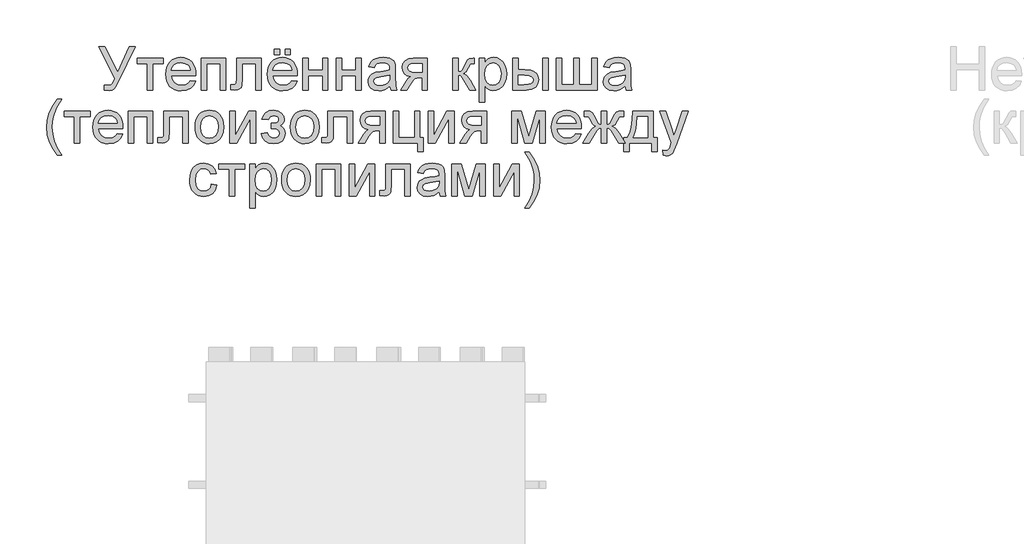
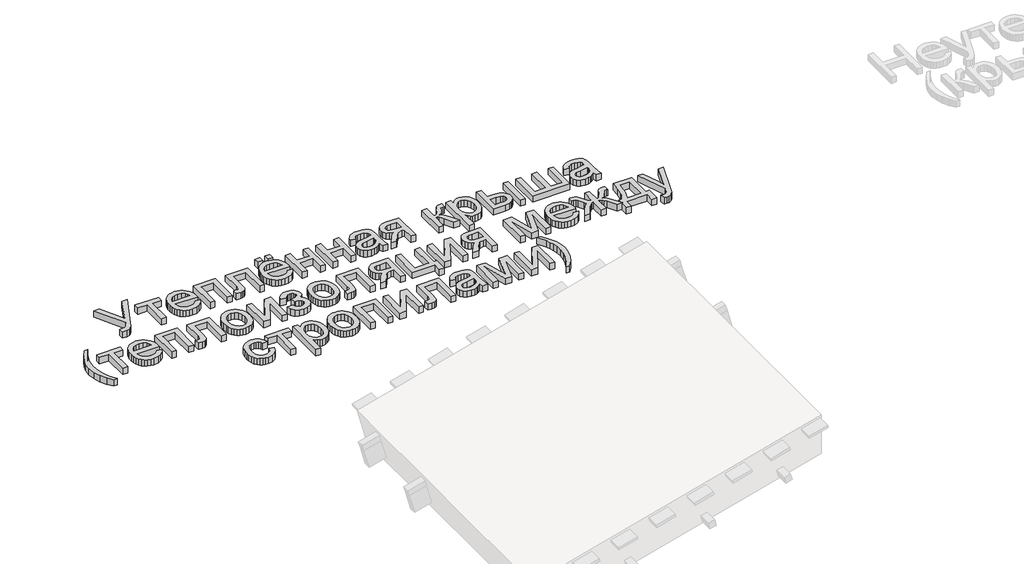
# One storey, part 2 of 3: 1 proxy.
"""IFC4 building model written with IfcOpenShell, lengths in millimetres."""

from ifc_helpers import new_model, si_unit, origin, origin_with_axes, place, context, project, spatial, polyline, outline, extrude, element, save

model = new_model("IFC4")

# Units and contexts
model_context = context("Model", 3, world=origin())
ifc_project = project(units=[si_unit("LENGTHUNIT", "METRE", prefix="MILLI")], contexts=[model_context])

# Site, building, storey
site = spatial("IfcSite", under=ifc_project)
building = spatial("IfcBuilding", under=site)
storey = spatial("IfcBuildingStorey", under=building, Elevation=0.0)

# Proxy
placement = place(None, origin())
element("IfcBuildingElementProxy", 1, Name="Generic Models", at=placement, inside=storey, context=model_context, shape_type="SweptSolid", body=[
    extrude(outline(polyline([(-9599.5750817, 3485.3785815), (-9557.8572635, 3485.3785815), (-9467.7261747, 3306.8822375), (-9386.6449829, 3485.3785815), (-9345.2950467, 3485.3785815), (-9459.7063472, 3250.5962922), (-9476.9784069, 3214.1391865), (-9490.829164, 3192.9123954), (-9505.5996261, 3182.70367), (-9525.6308007, 3179.3007616), (-9559.5495207, 3184.0096511), (-9559.5495207, 3216.9718779), (-9529.8982319, 3216.9718779), (-9518.0340375, 3219.0688052), (-9507.8988885, 3225.3595873), (-9498.1684098, 3239.0999799), (-9487.518226, 3263.5457384), (-9599.5750817, 3485.3785815)])), origin_with_axes(), (0.0, 0.0, 1.0), 50.0),
    extrude(outline(polyline([(-9333.5228228, 3405.3274594), (-9154.5850204, 3405.3274594), (-9154.5850204, 3367.6563431), (-9225.2183635, 3367.6563431), (-9225.2183635, 3184.0096511), (-9262.8894798, 3184.0096511), (-9262.8894798, 3367.6563431), (-9333.5228228, 3367.6563431), (-9333.5228228, 3405.3274594)])), origin_with_axes(), (0.0, 0.0, 1.0), 50.0),
    extrude(outline(polyline([(-8966.6708972, 3249.9341046), (-8929.7355449, 3245.2252151), (-8943.0436761, 3217.3949422), (-8964.2796643, 3196.5912153), (-8992.9652628, 3183.623375), (-9028.6222252, 3179.3007616), (-9051.9965275, 3181.1654634), (-9072.8232469, 3186.759569), (-9091.1023836, 3196.0830783), (-9106.8339374, 3209.1359914), (-9119.4844795, 3225.5550247), (-9128.520581, 3244.9768947), (-9133.9422419, 3267.4016016), (-9135.7494622, 3292.8291453), (-9133.9238478, 3319.1189123), (-9128.4470046, 3342.2908795), (-9119.3189326, 3362.3450468), (-9106.5396318, 3379.2814141), (-9090.8494647, 3392.7366981), (-9072.9887938, 3402.3476152), (-9052.9576192, 3408.1141655), (-9030.7559408, 3410.0363489), (-9009.269333, 3408.118764), (-8989.8382659, 3402.3660093), (-8972.4627394, 3392.7780848), (-8957.1427536, 3379.3549905), (-8944.637065, 3362.4554114), (-8935.7044303, 3342.4380323), (-8930.3448495, 3319.3028533), (-8928.5583225, 3293.0498745), (-8928.7790517, 3282.8963314), (-9098.0783459, 3282.8963314), (-9091.5576376, 3254.6981765), (-9076.4100964, 3233.968026), (-9054.5487088, 3221.2209149), (-9027.8864612, 3216.9718779), (-9007.8368925, 3218.9400465), (-8990.9511089, 3224.8445526), (-8977.2291105, 3235.0532779), (-8966.6708972, 3249.9341046)]), holes=[polyline([(-9098.0783459, 3320.5674477), (-8966.2294388, 3320.5674477), (-8971.3246045, 3340.4698636), (-8981.3126006, 3354.7068969), (-9003.2751558, 3367.9506487), (-9030.9030936, 3372.3652326), (-9056.2961483, 3368.8427625), (-9077.2930132, 3358.2753522), (-9091.8887313, 3341.8034359), (-9098.0783459, 3320.5674477)])]), origin_with_axes(), (0.0, 0.0, 1.0), 50.0),
    extrude(outline(polyline([(-8890.8872062, 3405.3274594), (-8721.3671829, 3405.3274594), (-8721.3671829, 3184.0096511), (-8759.0382992, 3184.0096511), (-8759.0382992, 3367.6563431), (-8853.2160899, 3367.6563431), (-8853.2160899, 3184.0096511), (-8890.8872062, 3184.0096511), (-8890.8872062, 3405.3274594)])), origin_with_axes(), (0.0, 0.0, 1.0), 50.0),
    extrude(outline(polyline([(-8646.0249502, 3405.3274594), (-8476.5049269, 3405.3274594), (-8476.5049269, 3184.2303803), (-8514.1760432, 3184.2303803), (-8514.1760432, 3367.6563431), (-8608.3538339, 3367.6563431), (-8608.3538339, 3262.0742105), (-8610.8922197, 3213.3666343), (-8615.6470945, 3202.3393715), (-8624.8349473, 3192.8020308), (-8638.7776749, 3186.207746), (-8657.7971741, 3184.0096511), (-8688.4049561, 3185.9226375), (-8688.4049561, 3221.6807674), (-8671.5559607, 3221.6807674), (-8654.5230243, 3223.998424), (-8647.7172074, 3231.3560639), (-8646.0249502, 3264.207926), (-8646.0249502, 3405.3274594)])), origin_with_axes(), (0.0, 0.0, 1.0), 50.0),
    extrude(outline(polyline([(-8265.046356, 3249.9341046), (-8228.1110037, 3245.2252151), (-8241.4191349, 3217.3949422), (-8262.6551231, 3196.5912153), (-8291.3407216, 3183.623375), (-8326.997684, 3179.3007616), (-8350.3719863, 3181.1654634), (-8371.1987057, 3186.759569), (-8389.4778424, 3196.0830783), (-8405.2093962, 3209.1359914), (-8417.8599383, 3225.5550247), (-8426.8960398, 3244.9768947), (-8432.3177007, 3267.4016016), (-8434.124921, 3292.8291453), (-8432.2993066, 3319.1189123), (-8426.8224634, 3342.2908795), (-8417.6943914, 3362.3450468), (-8404.9150906, 3379.2814141), (-8389.2249235, 3392.7366981), (-8371.3642526, 3402.3476152), (-8351.333078, 3408.1141655), (-8329.1313996, 3410.0363489), (-8307.6447918, 3408.118764), (-8288.2137247, 3402.3660093), (-8270.8381982, 3392.7780848), (-8255.5182124, 3379.3549905), (-8243.0125238, 3362.4554114), (-8234.0798891, 3342.4380323), (-8228.7203083, 3319.3028533), (-8226.9337813, 3293.0498745), (-8227.1545105, 3282.8963314), (-8396.4538047, 3282.8963314), (-8389.9330964, 3254.6981765), (-8374.7855552, 3233.968026), (-8352.9241676, 3221.2209149), (-8326.26192, 3216.9718779), (-8306.2123513, 3218.9400465), (-8289.3265677, 3224.8445526), (-8275.6045693, 3235.0532779), (-8265.046356, 3249.9341046)]), holes=[polyline([(-8396.4538047, 3320.5674477), (-8264.6048976, 3320.5674477), (-8269.7000633, 3340.4698636), (-8279.6880594, 3354.7068969), (-8301.6506146, 3367.9506487), (-8329.2785524, 3372.3652326), (-8354.6716071, 3368.8427625), (-8375.668472, 3358.2753522), (-8390.2641901, 3341.8034359), (-8396.4538047, 3320.5674477)])]), origin_with_axes(), (0.0, 0.0, 1.0), 50.0),
    extrude(outline(polyline([(-8387.0360256, 3428.8719071), (-8387.0360256, 3466.5430234), (-8349.3649093, 3466.5430234), (-8349.3649093, 3428.8719071), (-8387.0360256, 3428.8719071)])), origin_with_axes(), (0.0, 0.0, 1.0), 50.0),
    extrude(outline(polyline([(-8311.693793, 3428.8719071), (-8311.693793, 3466.5430234), (-8274.0226767, 3466.5430234), (-8274.0226767, 3428.8719071), (-8311.693793, 3428.8719071)])), origin_with_axes(), (0.0, 0.0, 1.0), 50.0),
    extrude(outline(polyline([(-8189.262665, 3405.3274594), (-8151.5915487, 3405.3274594), (-8151.5915487, 3320.5674477), (-8052.7048684, 3320.5674477), (-8052.7048684, 3405.3274594), (-8015.0337521, 3405.3274594), (-8015.0337521, 3184.0096511), (-8052.7048684, 3184.0096511), (-8052.7048684, 3282.8963314), (-8151.5915487, 3282.8963314), (-8151.5915487, 3184.0096511), (-8189.262665, 3184.0096511), (-8189.262665, 3405.3274594)])), origin_with_axes(), (0.0, 0.0, 1.0), 50.0),
    extrude(outline(polyline([(-7958.5270777, 3405.3274594), (-7920.8559614, 3405.3274594), (-7920.8559614, 3320.5674477), (-7821.969281, 3320.5674477), (-7821.969281, 3405.3274594), (-7784.2981647, 3405.3274594), (-7784.2981647, 3184.0096511), (-7821.969281, 3184.0096511), (-7821.969281, 3282.8963314), (-7920.8559614, 3282.8963314), (-7920.8559614, 3184.0096511), (-7958.5270777, 3184.0096511), (-7958.5270777, 3405.3274594)])), origin_with_axes(), (0.0, 0.0, 1.0), 50.0),
    extrude(outline(polyline([(-7586.5248041, 3212.2629883), (-7604.5234307, 3196.8303386), (-7623.0554863, 3186.7319779), (-7642.544035, 3181.1585656), (-7663.4121411, 3179.3007616), (-7694.8936429, 3183.7705278), (-7718.1161938, 3197.1798265), (-7732.4360005, 3217.5420949), (-7737.2092694, 3242.8707703), (-7735.4066476, 3258.487361), (-7729.9987823, 3272.6692119), (-7721.657058, 3284.8093178), (-7711.0528595, 3294.3006732), (-7684.6757204, 3306.6615083), (-7652.0813757, 3312.326891), (-7613.5641308, 3318.2865793), (-7586.7455333, 3325.2763372), (-7586.5248041, 3333.6640467), (-7589.1183722, 3350.4762539), (-7596.8990764, 3361.4759256), (-7614.2998948, 3369.6429059), (-7638.5433183, 3372.3652326), (-7660.98412, 3370.5534138), (-7676.655893, 3365.1179573), (-7687.3428649, 3355.0655818), (-7694.8292635, 3339.4030059), (-7732.5003798, 3344.1118954), (-7725.9612774, 3364.7132871), (-7716.2032074, 3380.9000949), (-7702.3156621, 3393.279324), (-7683.3881335, 3402.4579798), (-7660.2391589, 3408.1417567), (-7633.6872759, 3410.0363489), (-7608.2206448, 3408.3624858), (-7588.0331203, 3403.3408966), (-7572.8120028, 3395.7901187), (-7562.2445925, 3386.5286894), (-7555.2364404, 3375.0783623), (-7550.6930978, 3360.9608908), (-7548.8536878, 3327.998664), (-7548.8536878, 3281.1304978), (-7546.9407015, 3215.6842909), (-7539.4359088, 3184.0096511), (-7577.1070251, 3184.0096511), (-7586.5248041, 3212.2629883)]), holes=[polyline([(-7586.5248041, 3287.6052209), (-7647.2989097, 3276.0537263), (-7679.7093135, 3269.9468852), (-7694.3878051, 3260.0140713), (-7699.5381531, 3245.5195207), (-7696.7330528, 3234.3175139), (-7688.3177522, 3225.1388581), (-7674.4761921, 3219.0136229), (-7655.3923136, 3216.9718779), (-7635.1588039, 3219.2251551), (-7617.2797389, 3225.9849867), (-7602.7851883, 3235.9453918), (-7592.7052217, 3247.8003891), (-7588.2354554, 3260.0140713), (-7586.7455333, 3276.9366431), (-7586.5248041, 3287.6052209)])]), origin_with_axes(), (0.0, 0.0, 1.0), 50.0),
    extrude(outline(polyline([(-7327.5358795, 3405.3274594), (-7327.5358795, 3184.0096511), (-7365.2069958, 3184.0096511), (-7365.2069958, 3268.7696628), (-7385.7348112, 3268.7696628), (-7413.6938428, 3263.9871968), (-7424.8590614, 3253.5577423), (-7439.9606173, 3231.8343105), (-7469.9797881, 3184.0096511), (-7513.5370163, 3184.0096511), (-7475.7187472, 3244.4894511), (-7459.0169046, 3266.1944888), (-7443.6394372, 3275.8329971), (-7469.3911769, 3283.7240659), (-7487.490971, 3298.7152572), (-7498.1963371, 3318.6544613), (-7501.7647924, 3341.3895686), (-7496.890356, 3367.1780965), (-7482.2670467, 3387.5955472), (-7458.4098993, 3400.8944813), (-7425.8339486, 3405.3274594), (-7327.5358795, 3405.3274594)]), holes=[polyline([(-7365.2069958, 3367.6563431), (-7414.8710652, 3367.6563431), (-7440.5216373, 3365.4766423), (-7455.0805673, 3358.9375398), (-7461.8403989, 3349.4737755), (-7464.0936761, 3338.5200891), (-7460.7735411, 3324.1634942), (-7450.8131361, 3314.2030892), (-7432.4098393, 3308.3813566), (-7403.7610289, 3306.4407791), (-7365.2069958, 3306.4407791), (-7365.2069958, 3367.6563431)])]), origin_with_axes(), (0.0, 0.0, 1.0), 50.0),
    extrude(outline(polyline([(-7153.3069666, 3405.3274594), (-7115.6358503, 3405.3274594), (-7115.6358503, 3311.1496686), (-7100.3135652, 3312.8419258), (-7090.3991454, 3317.9186973), (-7081.6251599, 3331.1624492), (-7069.7241773, 3357.3556472), (-7052.5440881, 3391.3847318), (-7037.3873499, 3402.4579798), (-7009.8329885, 3405.3274594), (-7002.6225014, 3405.3274594), (-7002.6225014, 3367.4356139), (-7012.7760445, 3367.6563431), (-7031.1701442, 3363.6832175), (-7044.1195904, 3338.8879711), (-7059.3131168, 3312.0693736), (-7080.6134844, 3298.9359864), (-7068.6757136, 3293.6338871), (-7056.8483075, 3284.2758889), (-7033.524589, 3253.3921954), (-6993.2047223, 3184.0096511), (-7036.0261866, 3184.0096511), (-7075.5367128, 3251.9206674), (-7095.4023406, 3280.6522512), (-7104.691361, 3285.8669785), (-7115.6358503, 3287.6052209), (-7115.6358503, 3184.0096511), (-7153.3069666, 3184.0096511), (-7153.3069666, 3405.3274594)])), origin_with_axes(), (0.0, 0.0, 1.0), 50.0),
    extrude(outline(polyline([(-6969.6602746, 3099.2496394), (-6969.6602746, 3405.3274594), (-6931.9891583, 3405.3274594), (-6931.9891583, 3368.3921071), (-6919.7018997, 3386.6114629), (-6905.9431131, 3399.6252885), (-6889.9034581, 3407.4335838), (-6870.7735943, 3410.0363489), (-6845.2977662, 3406.3943172), (-6823.0225113, 3395.4682219), (-6804.885929, 3377.9202507), (-6791.8261182, 3354.4125913), (-6783.9350494, 3326.6558947), (-6781.3046931, 3296.3608124), (-6784.2753402, 3264.1435467), (-6793.1872815, 3235.3291894), (-6807.7554085, 3211.3800715), (-6827.6946127, 3193.758524), (-6850.9171636, 3182.9152022), (-6875.3353311, 3179.3007616), (-6892.653376, 3181.7195857), (-6908.1136168, 3188.976058), (-6921.3481716, 3199.9297444), (-6931.9891583, 3213.4402107), (-6931.9891583, 3099.2496394), (-6969.6602746, 3099.2496394)]), holes=[polyline([(-6931.9891583, 3292.9027217), (-6927.9148652, 3259.1311545), (-6915.6919859, 3235.5131304), (-6897.6565711, 3221.607191), (-6876.1446714, 3216.9718779), (-6854.2832839, 3221.7727379), (-6835.7880166, 3236.175318), (-6823.1788612, 3260.6578648), (-6818.9758094, 3295.6986248), (-6823.0776936, 3329.286251), (-6835.3833464, 3353.2353689), (-6853.39117, 3367.5827667), (-6874.5995671, 3372.3652326), (-6895.8907375, 3367.279264), (-6914.5883399, 3352.0213583), (-6927.6389537, 3327.069762), (-6931.9891583, 3292.9027217)])]), origin_with_axes(), (0.0, 0.0, 1.0), 50.0),
    extrude(outline(polyline([(-6738.9246872, 3405.3274594), (-6701.2535709, 3405.3274594), (-6701.2535709, 3325.2763372), (-6654.6797104, 3325.2763372), (-6614.424223, 3320.5582506), (-6598.2075248, 3314.6606424), (-6584.5981903, 3306.4039909), (-6573.8307441, 3296.0734046), (-6566.1397112, 3283.9539921), (-6561.5250914, 3270.0457534), (-6559.9868848, 3254.3486886), (-6565.1464298, 3227.3921354), (-6580.6250647, 3204.647831), (-6592.4869598, 3195.6186273), (-6607.4344651, 3189.1691961), (-6646.5863065, 3184.0096511), (-6738.9246872, 3184.0096511), (-6738.9246872, 3405.3274594)]), holes=[polyline([(-6701.2535709, 3221.6807674), (-6662.552385, 3221.6807674), (-6632.5516083, 3223.6581331), (-6612.5940101, 3229.5902303), (-6601.3920034, 3239.7161822), (-6597.6580011, 3254.2751122), (-6600.4263131, 3266.5807649), (-6608.7312492, 3277.4516779), (-6626.4907525, 3285.0668352), (-6657.6227663, 3287.6052209), (-6701.2535709, 3287.6052209), (-6701.2535709, 3221.6807674)])]), origin_with_axes(), (0.0, 0.0, 1.0), 50.0),
    extrude(outline(polyline([(-6531.7335476, 3405.3274594), (-6494.0624313, 3405.3274594), (-6494.0624313, 3184.0096511), (-6531.7335476, 3184.0096511), (-6531.7335476, 3405.3274594)])), origin_with_axes(), (0.0, 0.0, 1.0), 50.0),
    extrude(outline(polyline([(-6437.5557568, 3405.3274594), (-6399.8846405, 3405.3274594), (-6399.8846405, 3221.6807674), (-6315.1246288, 3221.6807674), (-6315.1246288, 3405.3274594), (-6277.4535125, 3405.3274594), (-6277.4535125, 3221.6807674), (-6192.6935008, 3221.6807674), (-6192.6935008, 3405.3274594), (-6155.0223845, 3405.3274594), (-6155.0223845, 3184.0096511), (-6437.5557568, 3184.0096511), (-6437.5557568, 3405.3274594)])), origin_with_axes(), (0.0, 0.0, 1.0), 50.0),
    extrude(outline(polyline([(-5961.9579134, 3212.2629883), (-5979.95654, 3196.8303386), (-5998.4885956, 3186.7319779), (-6017.9771443, 3181.1585656), (-6038.8452504, 3179.3007616), (-6070.3267522, 3183.7705278), (-6093.5493031, 3197.1798265), (-6107.8691098, 3217.5420949), (-6112.6423787, 3242.8707703), (-6110.8397569, 3258.487361), (-6105.4318916, 3272.6692119), (-6097.0901673, 3284.8093178), (-6086.4859688, 3294.3006732), (-6060.1088297, 3306.6615083), (-6027.514485, 3312.326891), (-5988.9972401, 3318.2865793), (-5962.1786426, 3325.2763372), (-5961.9579134, 3333.6640467), (-5964.5514815, 3350.4762539), (-5972.3321857, 3361.4759256), (-5989.7330041, 3369.6429059), (-6013.9764276, 3372.3652326), (-6036.4172293, 3370.5534138), (-6052.0890023, 3365.1179573), (-6062.7759742, 3355.0655818), (-6070.2623728, 3339.4030059), (-6107.9334891, 3344.1118954), (-6101.3943867, 3364.7132871), (-6091.6363167, 3380.9000949), (-6077.7487714, 3393.279324), (-6058.8212428, 3402.4579798), (-6035.6722682, 3408.1417567), (-6009.1203852, 3410.0363489), (-5983.6537541, 3408.3624858), (-5963.4662296, 3403.3408966), (-5948.2451121, 3395.7901187), (-5937.6777018, 3386.5286894), (-5930.6695497, 3375.0783623), (-5926.1262071, 3360.9608908), (-5924.2867971, 3327.998664), (-5924.2867971, 3281.1304978), (-5922.3738108, 3215.6842909), (-5914.8690181, 3184.0096511), (-5952.5401344, 3184.0096511), (-5961.9579134, 3212.2629883)]), holes=[polyline([(-5961.9579134, 3287.6052209), (-6022.732019, 3276.0537263), (-6055.1424228, 3269.9468852), (-6069.8209144, 3260.0140713), (-6074.9712624, 3245.5195207), (-6072.1661621, 3234.3175139), (-6063.7508615, 3225.1388581), (-6049.9093014, 3219.0136229), (-6030.8254229, 3216.9718779), (-6010.5919132, 3219.2251551), (-5992.7128482, 3225.9849867), (-5978.2182976, 3235.9453918), (-5968.138331, 3247.8003891), (-5963.6685647, 3260.0140713), (-5962.1786426, 3276.9366431), (-5961.9579134, 3287.6052209)])]), origin_with_axes(), (0.0, 0.0, 1.0), 50.0),
    extrude(outline(polyline([(-9884.4628988, 2733.3251859), (-9913.6543351, 2774.288846), (-9937.9529409, 2821.6904411), (-9954.3420838, 2873.2307086), (-9959.8051314, 2926.6103861), (-9955.7216413, 2973.42337), (-9943.4711708, 3018.2130029), (-9919.154171, 3068.9439301), (-9884.4628988, 3119.454128), (-9856.2095616, 3119.454128), (-9891.4526567, 3059.7836684), (-9912.6426596, 3001.9526187), (-9919.7611762, 2964.2631083), (-9922.1340151, 2926.3896569), (-9918.0137368, 2878.095948), (-9905.6529017, 2829.8206332), (-9885.05151, 2781.5637125), (-9856.2095616, 2733.3251859), (-9884.4628988, 2733.3251859)])), origin_with_axes(), (0.0, 0.0, 1.0), 50.0),
    extrude(outline(polyline([(-9837.3740034, 3039.4030059), (-9658.436201, 3039.4030059), (-9658.436201, 3001.7318895), (-9729.069544, 3001.7318895), (-9729.069544, 2818.0851976), (-9766.7406604, 2818.0851976), (-9766.7406604, 3001.7318895), (-9837.3740034, 3001.7318895), (-9837.3740034, 3039.4030059)])), origin_with_axes(), (0.0, 0.0, 1.0), 50.0),
    extrude(outline(polyline([(-9470.5220778, 2884.0096511), (-9433.5867255, 2879.3007616), (-9446.8948567, 2851.4704886), (-9468.1308449, 2830.6667618), (-9496.8164434, 2817.6989215), (-9532.4734058, 2813.376308), (-9555.8477081, 2815.2410099), (-9576.6744275, 2820.8351155), (-9594.9535642, 2830.1586248), (-9610.685118, 2843.2115378), (-9623.3356601, 2859.6305711), (-9632.3717616, 2879.0524412), (-9637.7934225, 2901.4771481), (-9639.6006428, 2926.9046917), (-9637.7750284, 2953.1944588), (-9632.2981852, 2976.366426), (-9623.1701132, 2996.4205932), (-9610.3908124, 3013.3569606), (-9594.7006453, 3026.8122446), (-9576.8399744, 3036.4231617), (-9556.8087998, 3042.189712), (-9534.6071214, 3044.1118954), (-9513.1205136, 3042.1943105), (-9493.6894465, 3036.4415558), (-9476.31392, 3026.8536313), (-9460.9939342, 3013.430537), (-9448.4882456, 2996.5309578), (-9439.5556109, 2976.5135788), (-9434.1960301, 2953.3783998), (-9432.4095031, 2927.1254209), (-9432.6302323, 2916.9718779), (-9601.9295265, 2916.9718779), (-9595.4088181, 2888.7737229), (-9580.261277, 2868.0435725), (-9558.3998894, 2855.2964614), (-9531.7376418, 2851.0474243), (-9511.6880731, 2853.015593), (-9494.8022895, 2858.920099), (-9481.0802911, 2869.1288244), (-9470.5220778, 2884.0096511)]), holes=[polyline([(-9601.9295265, 2954.6429942), (-9470.0806194, 2954.6429942), (-9475.1757851, 2974.5454101), (-9485.1637812, 2988.7824433), (-9507.1263364, 3002.0261951), (-9534.7542742, 3006.4407791), (-9560.1473289, 3002.918309), (-9581.1441938, 2992.3508987), (-9595.7399119, 2975.8789823), (-9601.9295265, 2954.6429942)])]), origin_with_axes(), (0.0, 0.0, 1.0), 50.0),
    extrude(outline(polyline([(-9394.7383868, 3039.4030059), (-9225.2183635, 3039.4030059), (-9225.2183635, 2818.0851976), (-9262.8894798, 2818.0851976), (-9262.8894798, 3001.7318895), (-9357.0672705, 3001.7318895), (-9357.0672705, 2818.0851976), (-9394.7383868, 2818.0851976), (-9394.7383868, 3039.4030059)])), origin_with_axes(), (0.0, 0.0, 1.0), 50.0),
    extrude(outline(polyline([(-9149.8761308, 3039.4030059), (-8980.3561075, 3039.4030059), (-8980.3561075, 2818.3059268), (-9018.0272238, 2818.3059268), (-9018.0272238, 3001.7318895), (-9112.2050145, 3001.7318895), (-9112.2050145, 2896.1497569), (-9114.7434003, 2847.4421808), (-9119.4982751, 2836.414918), (-9128.6861279, 2826.8775772), (-9142.6288555, 2820.2832925), (-9161.6483547, 2818.0851976), (-9192.2561367, 2819.9981839), (-9192.2561367, 2855.7563139), (-9175.4071413, 2855.7563139), (-9158.3742049, 2858.0739704), (-9151.568388, 2865.4316103), (-9149.8761308, 2898.2834725), (-9149.8761308, 3039.4030059)])), origin_with_axes(), (0.0, 0.0, 1.0), 50.0),
    extrude(outline(polyline([(-8933.2672121, 2928.7441017), (-8931.2300655, 2957.4067077), (-8925.1186259, 2982.1053851), (-8914.9328931, 3002.8401341), (-8900.6728673, 3019.6109545), (-8886.3162724, 3030.3301161), (-8870.4697555, 3037.9866602), (-8853.1333165, 3042.5805866), (-8834.3069554, 3044.1118954), (-8813.5239219, 3042.2471935), (-8794.7320497, 3036.6530879), (-8777.9313389, 3027.3295786), (-8763.1217893, 3014.2766656), (-8751.0345665, 2997.9358072), (-8742.4008359, 2978.7484619), (-8737.2205976, 2956.7146296), (-8735.4938515, 2931.8343105), (-8738.547272, 2893.7769181), (-8747.7075337, 2864.8062109), (-8762.7079221, 2843.1103703), (-8783.2817226, 2826.8775772), (-8807.7182842, 2816.7516253), (-8834.3069554, 2813.376308), (-8855.3934915, 2815.2341121), (-8874.3601076, 2820.8075243), (-8891.2068037, 2830.0965447), (-8905.9335798, 2843.1011732), (-8917.8920439, 2859.6006807), (-8926.433804, 2879.3743379), (-8931.5588601, 2902.4221449), (-8933.2672121, 2928.7441017)]), holes=[polyline([(-8895.5960958, 2928.8176781), (-8891.2366941, 2894.7242142), (-8878.1584892, 2870.4348055), (-8858.4768025, 2855.8942696), (-8834.3069554, 2851.0474243), (-8810.2474729, 2855.9218608), (-8790.6025743, 2870.5451701), (-8777.5243694, 2895.1564755), (-8773.1649678, 2929.9949005), (-8777.5519606, 2963.095083), (-8790.7129389, 2987.0533979), (-8810.3854286, 3001.5939338), (-8834.3069554, 3006.4407791), (-8858.4768025, 3001.6123279), (-8878.1584892, 2987.1269743), (-8891.2366941, 2962.8927479), (-8895.5960958, 2928.8176781)])]), origin_with_axes(), (0.0, 0.0, 1.0), 50.0),
    extrude(outline(polyline([(-8693.1138456, 3039.4030059), (-8655.4427293, 3039.4030059), (-8655.4427293, 2870.6187465), (-8562.8836193, 3039.4030059), (-8514.1760432, 3039.4030059), (-8514.1760432, 2818.0851976), (-8551.8471595, 2818.0851976), (-8551.8471595, 2985.8393874), (-8643.8176583, 2818.0851976), (-8693.1138456, 2818.0851976), (-8693.1138456, 3039.4030059)])), origin_with_axes(), (0.0, 0.0, 1.0), 50.0),
    extrude(outline(polyline([(-8405.8715838, 2916.9718779), (-8405.8715838, 2954.6429942), (-8376.1467186, 2956.1145221), (-8361.1371332, 2963.9504086), (-8355.8396324, 2971.2988515), (-8354.0737989, 2980.3211574), (-8356.4374407, 2991.0357205), (-8363.5283661, 2999.3406566), (-8374.3532939, 3004.6657485), (-8387.9189424, 3006.4407791), (-8401.6317438, 3004.6749455), (-8413.1188591, 2999.3774448), (-8422.3802883, 2990.5482769), (-8429.4160315, 2978.1874419), (-8471.7960373, 2982.8963314), (-8460.5572424, 3009.6781406), (-8443.4691237, 3028.8080044), (-8420.5316813, 3040.2859226), (-8391.7449152, 3044.1118954), (-8360.2542164, 3039.4489911), (-8336.4154631, 3025.4602782), (-8321.4058777, 3004.9968423), (-8316.4026826, 2980.9097686), (-8318.1823117, 2968.5489336), (-8323.5211992, 2957.5124737), (-8332.4193449, 2947.8003891), (-8344.876749, 2939.4126796), (-8330.3362131, 2928.9464368), (-8319.9711379, 2915.9418083), (-8313.7631293, 2900.3620058), (-8311.693793, 2882.1702411), (-8316.9453085, 2854.4411357), (-8332.699855, 2832.4693836), (-8357.8905746, 2818.1495769), (-8391.4506096, 2813.376308), (-8424.2748806, 2817.790892), (-8449.3920238, 2831.0346438), (-8466.8020392, 2853.1075635), (-8476.5049269, 2884.0096511), (-8434.124921, 2888.7185406), (-8427.7789566, 2872.7892502), (-8417.1287728, 2860.9066618), (-8403.4067744, 2853.5122337), (-8387.845366, 2851.0474243), (-8372.6886278, 2853.4110661), (-8360.3277928, 2860.5019916), (-8352.1056302, 2871.271737), (-8349.3649093, 2884.6718387), (-8351.0663636, 2895.2852342), (-8356.1707262, 2904.46389), (-8370.6652769, 2915.0588915), (-8398.5139439, 2917.1926071), (-8405.8715838, 2916.9718779)])), origin_with_axes(), (0.0, 0.0, 1.0), 50.0),
    extrude(outline(polyline([(-8274.0226767, 2928.7441017), (-8271.9855302, 2957.4067077), (-8265.8740905, 2982.1053851), (-8255.6883578, 3002.8401341), (-8241.4283319, 3019.6109545), (-8227.0717371, 3030.3301161), (-8211.2252201, 3037.9866602), (-8193.8887811, 3042.5805866), (-8175.06242, 3044.1118954), (-8154.2793866, 3042.2471935), (-8135.4875144, 3036.6530879), (-8118.6868035, 3027.3295786), (-8103.877254, 3014.2766656), (-8091.7900311, 2997.9358072), (-8083.1563006, 2978.7484619), (-8077.9760622, 2956.7146296), (-8076.2493161, 2931.8343105), (-8079.3027367, 2893.7769181), (-8088.4629984, 2864.8062109), (-8103.4633867, 2843.1103703), (-8124.0371873, 2826.8775772), (-8148.4737488, 2816.7516253), (-8175.06242, 2813.376308), (-8196.1489561, 2815.2341121), (-8215.1155722, 2820.8075243), (-8231.9622684, 2830.0965447), (-8246.6890445, 2843.1011732), (-8258.6475086, 2859.6006807), (-8267.1892687, 2879.3743379), (-8272.3143247, 2902.4221449), (-8274.0226767, 2928.7441017)]), holes=[polyline([(-8236.3515604, 2928.8176781), (-8231.9921588, 2894.7242142), (-8218.9139538, 2870.4348055), (-8199.2322671, 2855.8942696), (-8175.06242, 2851.0474243), (-8151.0029375, 2855.9218608), (-8131.358039, 2870.5451701), (-8118.2798341, 2895.1564755), (-8113.9204324, 2929.9949005), (-8118.3074252, 2963.095083), (-8131.4684036, 2987.0533979), (-8151.1408933, 3001.5939338), (-8175.06242, 3006.4407791), (-8199.2322671, 3001.6123279), (-8218.9139538, 2987.1269743), (-8231.9921588, 2962.8927479), (-8236.3515604, 2928.8176781)])]), origin_with_axes(), (0.0, 0.0, 1.0), 50.0),
    extrude(outline(polyline([(-8015.0337521, 3039.4030059), (-7845.5137287, 3039.4030059), (-7845.5137287, 2818.3059268), (-7883.184845, 2818.3059268), (-7883.184845, 3001.7318895), (-7977.3626358, 3001.7318895), (-7977.3626358, 2896.1497569), (-7979.9010216, 2847.4421808), (-7984.6558964, 2836.414918), (-7993.8437492, 2826.8775772), (-8007.7864768, 2820.2832925), (-8026.805976, 2818.0851976), (-8057.413758, 2819.9981839), (-8057.413758, 2855.7563139), (-8040.5647626, 2855.7563139), (-8023.5318262, 2858.0739704), (-8016.7260093, 2865.4316103), (-8015.0337521, 2898.2834725), (-8015.0337521, 3039.4030059)])), origin_with_axes(), (0.0, 0.0, 1.0), 50.0),
    extrude(outline(polyline([(-7619.4870309, 3039.4030059), (-7619.4870309, 2818.0851976), (-7657.1581472, 2818.0851976), (-7657.1581472, 2902.8452092), (-7677.6859625, 2902.8452092), (-7705.6449942, 2898.0627433), (-7716.8102127, 2887.6332887), (-7731.9117686, 2865.9098569), (-7761.9309394, 2818.0851976), (-7805.4881677, 2818.0851976), (-7767.6698986, 2878.5649976), (-7750.968056, 2900.2700353), (-7735.5905886, 2909.9085435), (-7761.3423282, 2917.7996123), (-7779.4421224, 2932.7908036), (-7790.1474885, 2952.7300078), (-7793.7159438, 2975.4651151), (-7788.8415074, 3001.253643), (-7774.2181981, 3021.6710937), (-7750.3610507, 3034.9700278), (-7717.7851, 3039.4030059), (-7619.4870309, 3039.4030059)]), holes=[polyline([(-7657.1581472, 3001.7318895), (-7706.8222166, 3001.7318895), (-7732.4727887, 2999.5521887), (-7747.0317186, 2993.0130863), (-7753.7915503, 2983.5493219), (-7756.0448275, 2972.5956355), (-7752.7246925, 2958.2390407), (-7742.7642875, 2948.2786356), (-7724.3609907, 2942.4569031), (-7695.7121803, 2940.5163255), (-7657.1581472, 2940.5163255), (-7657.1581472, 3001.7318895)])]), origin_with_axes(), (0.0, 0.0, 1.0), 50.0),
    extrude(outline(polyline([(-7562.9803564, 3039.4030059), (-7525.3092401, 3039.4030059), (-7525.3092401, 2855.7563139), (-7417.0047808, 2855.7563139), (-7417.0047808, 3039.4030059), (-7379.3336645, 3039.4030059), (-7379.3336645, 2855.7563139), (-7355.7892168, 2855.7563139), (-7355.7892168, 2756.8696336), (-7393.4603331, 2756.8696336), (-7393.4603331, 2818.0851976), (-7562.9803564, 2818.0851976), (-7562.9803564, 3039.4030059)])), origin_with_axes(), (0.0, 0.0, 1.0), 50.0),
    extrude(outline(polyline([(-7322.82699, 3039.4030059), (-7285.1558737, 3039.4030059), (-7285.1558737, 2870.6187465), (-7192.5967637, 3039.4030059), (-7143.8891875, 3039.4030059), (-7143.8891875, 2818.0851976), (-7181.5603038, 2818.0851976), (-7181.5603038, 2985.8393874), (-7273.5308026, 2818.0851976), (-7322.82699, 2818.0851976), (-7322.82699, 3039.4030059)])), origin_with_axes(), (0.0, 0.0, 1.0), 50.0),
    extrude(outline(polyline([(-6917.8624897, 3039.4030059), (-6917.8624897, 2818.0851976), (-6955.533606, 2818.0851976), (-6955.533606, 2902.8452092), (-6976.0614213, 2902.8452092), (-7004.020453, 2898.0627433), (-7015.1856715, 2887.6332887), (-7030.2872274, 2865.9098569), (-7060.3063982, 2818.0851976), (-7103.8636265, 2818.0851976), (-7066.0453574, 2878.5649976), (-7049.3435148, 2900.2700353), (-7033.9660474, 2909.9085435), (-7059.717787, 2917.7996123), (-7077.8175812, 2932.7908036), (-7088.5229473, 2952.7300078), (-7092.0914026, 2975.4651151), (-7087.2169662, 3001.253643), (-7072.5936569, 3021.6710937), (-7048.7365095, 3034.9700278), (-7016.1605588, 3039.4030059), (-6917.8624897, 3039.4030059)]), holes=[polyline([(-6955.533606, 3001.7318895), (-7005.1976754, 3001.7318895), (-7030.8482475, 2999.5521887), (-7045.4071774, 2993.0130863), (-7052.1670091, 2983.5493219), (-7054.4202863, 2972.5956355), (-7051.1001513, 2958.2390407), (-7041.1397463, 2948.2786356), (-7022.7364495, 2942.4569031), (-6994.0876391, 2940.5163255), (-6955.533606, 2940.5163255), (-6955.533606, 3001.7318895)])]), origin_with_axes(), (0.0, 0.0, 1.0), 50.0),
    extrude(outline(polyline([(-6743.6335768, 3039.4030059), (-6678.8127692, 3039.4030059), (-6628.8543943, 2862.231037), (-6574.9964702, 3039.4030059), (-6512.8979894, 3039.4030059), (-6512.8979894, 2818.0851976), (-6550.5691057, 2818.0851976), (-6550.5691057, 2996.287236), (-6604.7213354, 2818.0851976), (-6654.1646756, 2818.0851976), (-6705.9624605, 3004.8220983), (-6705.9624605, 2818.0851976), (-6743.6335768, 2818.0851976), (-6743.6335768, 3039.4030059)])), origin_with_axes(), (0.0, 0.0, 1.0), 50.0),
    extrude(outline(polyline([(-6301.4394186, 2884.0096511), (-6264.5040663, 2879.3007616), (-6277.8121974, 2851.4704886), (-6299.0481856, 2830.6667618), (-6327.7337842, 2817.6989215), (-6363.3907466, 2813.376308), (-6386.7650488, 2815.2410099), (-6407.5917683, 2820.8351155), (-6425.8709049, 2830.1586248), (-6441.6024587, 2843.2115378), (-6454.2530009, 2859.6305711), (-6463.2891024, 2879.0524412), (-6468.7107633, 2901.4771481), (-6470.5179836, 2926.9046917), (-6468.6923692, 2953.1944588), (-6463.215526, 2976.366426), (-6454.087454, 2996.4205932), (-6441.3081532, 3013.3569606), (-6425.6179861, 3026.8122446), (-6407.7573152, 3036.4231617), (-6387.7261406, 3042.189712), (-6365.5244621, 3044.1118954), (-6344.0378544, 3042.1943105), (-6324.6067872, 3036.4415558), (-6307.2312607, 3026.8536313), (-6291.9112749, 3013.430537), (-6279.4055863, 2996.5309578), (-6270.4729516, 2976.5135788), (-6265.1133708, 2953.3783998), (-6263.3268439, 2927.1254209), (-6263.5475731, 2916.9718779), (-6432.8468673, 2916.9718779), (-6426.3261589, 2888.7737229), (-6411.1786177, 2868.0435725), (-6389.3172302, 2855.2964614), (-6362.6549826, 2851.0474243), (-6342.6054138, 2853.015593), (-6325.7196303, 2858.920099), (-6311.9976318, 2869.1288244), (-6301.4394186, 2884.0096511)]), holes=[polyline([(-6432.8468673, 2954.6429942), (-6300.9979602, 2954.6429942), (-6306.0931258, 2974.5454101), (-6316.081122, 2988.7824433), (-6338.0436771, 3002.0261951), (-6365.6716149, 3006.4407791), (-6391.0646697, 3002.918309), (-6412.0615345, 2992.3508987), (-6426.6572527, 2975.8789823), (-6432.8468673, 2954.6429942)])]), origin_with_axes(), (0.0, 0.0, 1.0), 50.0),
    extrude(outline(polyline([(-6089.097931, 3039.4030059), (-6089.097931, 2945.2252151), (-6075.8081939, 2947.1657926), (-6067.1353759, 2952.9875252), (-6046.3500431, 2993.2706037), (-6033.3822028, 3018.3785498), (-6021.5547967, 3031.8982131), (-6007.1890047, 3037.5268077), (-5986.3117015, 3039.4030059), (-5971.3756925, 3039.4030059), (-5971.3756925, 3001.5111603), (-5981.7499648, 3001.7318895), (-6001.1741341, 2997.8323404), (-6014.6386151, 2973.4049759), (-6030.2735999, 2946.6231667), (-6052.604037, 2933.0115328), (-6040.2110123, 2927.7094336), (-6027.9743375, 2918.3514353), (-6003.9700373, 2887.4677418), (-5961.9579134, 2818.0851976), (-6005.1472597, 2818.0851976), (-6046.4971959, 2886.5112487), (-6057.8003702, 2904.4730871), (-6067.5768343, 2914.9485269), (-6077.4636629, 2919.9977073), (-6089.097931, 2921.6807674), (-6089.097931, 2818.0851976), (-6126.7690473, 2818.0851976), (-6126.7690473, 2921.6807674), (-6138.3113449, 2920.0344955), (-6148.2165676, 2915.0956797), (-6158.066608, 2904.6938163), (-6169.4433587, 2886.6584015), (-6210.793295, 2818.0851976), (-6253.9090648, 2818.0851976), (-6212.0440938, 2887.4677418), (-6187.8558526, 2918.3514353), (-6175.5547984, 2927.7094336), (-6163.1157884, 2933.0115328), (-6177.4999744, 2940.22202), (-6186.8073889, 2948.0211182), (-6207.114475, 2986.6487277), (-6217.0472889, 2999.3774448), (-6233.3076731, 3001.9526187), (-6244.4912857, 3001.7318895), (-6244.4912857, 3039.4030059), (-6238.825903, 3039.4030059), (-6205.7900998, 3037.0485611), (-6188.6467989, 3027.0421708), (-6169.4433587, 2993.2706037), (-6148.8787552, 2953.2450426), (-6140.2059371, 2947.230172), (-6126.7690473, 2945.2252151), (-6126.7690473, 3039.4030059), (-6089.097931, 3039.4030059)])), origin_with_axes(), (0.0, 0.0, 1.0), 50.0),
    extrude(outline(polyline([(-5910.1601285, 3039.4030059), (-5768.8934424, 3039.4030059), (-5768.8934424, 2855.7563139), (-5740.6401051, 2855.7563139), (-5740.6401051, 2756.8696336), (-5778.3112214, 2756.8696336), (-5778.3112214, 2818.0851976), (-5933.7045762, 2818.0851976), (-5933.7045762, 2756.8696336), (-5971.3756925, 2756.8696336), (-5971.3756925, 2855.7563139), (-5947.8312448, 2855.7563139), (-5930.715535, 2886.6859926), (-5918.731779, 2927.6036675), (-5911.8799768, 2978.5093386), (-5910.1601285, 3039.4030059)]), holes=[polyline([(-5877.1979017, 3001.7318895), (-5880.2881105, 2955.6086844), (-5886.0270696, 2915.9050201), (-5894.4147791, 2882.6208966), (-5905.451239, 2855.7563139), (-5806.5645587, 2855.7563139), (-5806.5645587, 3001.7318895), (-5877.1979017, 3001.7318895)])]), origin_with_axes(), (0.0, 0.0, 1.0), 50.0),
    extrude(outline(polyline([(-5698.2600993, 2733.3251859), (-5702.9689888, 2769.5983506), (-5683.8391251, 2766.2874126), (-5665.9600601, 2770.4444792), (-5654.9971767, 2782.032762), (-5644.6964808, 2809.7710645), (-5641.7534248, 2818.8945379), (-5721.804547, 3039.4030059), (-5682.0732915, 3039.4030059), (-5639.6197093, 2916.5304195), (-5624.8308531, 2867.3813849), (-5610.0419968, 2910.7914603), (-5566.4111922, 3039.4030059), (-5526.9742423, 3039.4030059), (-5604.0087321, 2812.7876968), (-5624.0215127, 2763.6386623), (-5634.2670262, 2747.9484952), (-5645.8737032, 2737.0775822), (-5659.3565783, 2730.7316178), (-5675.2306864, 2728.6162963), (-5698.2600993, 2733.3251859)])), origin_with_axes(), (0.0, 0.0, 1.0), 50.0),
    extrude(outline(polyline([(-8820.2538632, 2532.2118662), (-8782.5827469, 2527.5029766), (-8793.0857778, 2493.9981239), (-8812.8226469, 2468.6786456), (-8839.9355499, 2452.7585523), (-8872.5666829, 2447.4518545), (-8893.6946057, 2449.3027608), (-8912.6382292, 2454.8554796), (-8929.3975533, 2464.1100111), (-8943.9725781, 2477.0663551), (-8955.7700939, 2493.4807899), (-8964.1968908, 2513.1095936), (-8969.252969, 2535.9527662), (-8970.9383284, 2562.0103078), (-8968.0596518, 2595.5335546), (-8959.4236219, 2624.5870352), (-8944.8922831, 2648.0487094), (-8924.3276796, 2664.7965372), (-8899.7255712, 2674.8397157), (-8873.0817177, 2678.1874419), (-8841.250728, 2673.5889169), (-8815.802491, 2659.7933421), (-8797.546347, 2637.5364814), (-8787.2916364, 2607.5540988), (-8824.9627527, 2602.8452092), (-8831.7961608, 2619.2803374), (-8842.4371475, 2631.0617583), (-8856.2971016, 2638.1526837), (-8872.7874121, 2640.5163255), (-8897.1320031, 2635.8626183), (-8916.4550049, 2621.9014966), (-8929.0641603, 2597.8788023), (-8933.2672121, 2563.0403774), (-8929.1561308, 2527.7329029), (-8916.8228869, 2503.6274351), (-8897.849373, 2489.7490869), (-8873.8174817, 2485.1229708), (-8854.3105389, 2488.0108444), (-8838.3168691, 2496.6744654), (-8826.682601, 2511.3345629), (-8820.2538632, 2532.2118662)])), origin_with_axes(), (0.0, 0.0, 1.0), 50.0),
    extrude(outline(polyline([(-8768.4560782, 2673.4785523), (-8589.5182758, 2673.4785523), (-8589.5182758, 2635.807436), (-8660.1516189, 2635.807436), (-8660.1516189, 2452.160744), (-8697.8227352, 2452.160744), (-8697.8227352, 2635.807436), (-8768.4560782, 2635.807436), (-8768.4560782, 2673.4785523)])), origin_with_axes(), (0.0, 0.0, 1.0), 50.0),
    extrude(outline(polyline([(-8556.556049, 2367.4007323), (-8556.556049, 2673.4785523), (-8518.8849327, 2673.4785523), (-8518.8849327, 2636.5432), (-8506.5976741, 2654.7625558), (-8492.8388875, 2667.7763814), (-8476.7992325, 2675.5846767), (-8457.6693687, 2678.1874419), (-8432.1935405, 2674.5454101), (-8409.9182857, 2663.6193148), (-8391.7817034, 2646.0713437), (-8378.7218925, 2622.5636842), (-8370.8308238, 2594.8069876), (-8368.2004675, 2564.5119053), (-8371.1711146, 2532.2946396), (-8380.0830559, 2503.4802823), (-8394.6511829, 2479.5311645), (-8414.5903871, 2461.9096169), (-8437.812938, 2451.0662951), (-8462.2311055, 2447.4518545), (-8479.5491504, 2449.8706786), (-8495.0093912, 2457.127151), (-8508.243946, 2468.0808374), (-8518.8849327, 2481.5913036), (-8518.8849327, 2367.4007323), (-8556.556049, 2367.4007323)]), holes=[polyline([(-8518.8849327, 2561.0538146), (-8514.8106396, 2527.2822474), (-8502.5877603, 2503.6642233), (-8484.5523455, 2489.7582839), (-8463.0404458, 2485.1229708), (-8441.1790583, 2489.9238308), (-8422.683791, 2504.3264109), (-8410.0746356, 2528.8089577), (-8405.8715838, 2563.8497178), (-8409.973468, 2597.4373439), (-8422.2791208, 2621.3864618), (-8440.2869444, 2635.7338596), (-8461.4953415, 2640.5163255), (-8482.7865119, 2635.430357), (-8501.4841143, 2620.1724512), (-8514.5347281, 2595.2208549), (-8518.8849327, 2561.0538146)])]), origin_with_axes(), (0.0, 0.0, 1.0), 50.0),
    extrude(outline(polyline([(-8335.2382407, 2562.8196482), (-8333.2010942, 2591.4822541), (-8327.0896545, 2616.1809316), (-8316.9039218, 2636.9156805), (-8302.6438959, 2653.686501), (-8288.2873011, 2664.4056626), (-8272.4407841, 2672.0622066), (-8255.1043451, 2676.656133), (-8236.277984, 2678.1874419), (-8215.4949506, 2676.32274), (-8196.7030784, 2670.7286344), (-8179.9023675, 2661.4051251), (-8165.092818, 2648.352212), (-8153.0055951, 2632.0113537), (-8144.3718646, 2612.8240084), (-8139.1916262, 2590.7901761), (-8137.4648801, 2565.9098569), (-8140.5183007, 2527.8524645), (-8149.6785624, 2498.8817574), (-8164.6789507, 2477.1859167), (-8185.2527513, 2460.9531237), (-8209.6893128, 2450.8271718), (-8236.277984, 2447.4518545), (-8257.3645201, 2449.3096586), (-8276.3311362, 2454.8830708), (-8293.1778324, 2464.1720912), (-8307.9046085, 2477.1767197), (-8319.8630726, 2493.6762272), (-8328.4048327, 2513.4498844), (-8333.5298887, 2536.4976914), (-8335.2382407, 2562.8196482)]), holes=[polyline([(-8297.5671244, 2562.8932246), (-8293.2077228, 2528.7997607), (-8280.1295178, 2504.5103519), (-8260.4478311, 2489.9698161), (-8236.277984, 2485.1229708), (-8212.2185015, 2489.9974072), (-8192.573603, 2504.6207165), (-8179.4953981, 2529.232022), (-8175.1359964, 2564.070447), (-8179.5229892, 2597.1706295), (-8192.6839676, 2621.1289444), (-8212.3564573, 2635.6694803), (-8236.277984, 2640.5163255), (-8260.4478311, 2635.6878744), (-8280.1295178, 2621.2025208), (-8293.2077228, 2596.9682944), (-8297.5671244, 2562.8932246)])]), origin_with_axes(), (0.0, 0.0, 1.0), 50.0),
    extrude(outline(polyline([(-8095.0848743, 2673.4785523), (-7925.5648509, 2673.4785523), (-7925.5648509, 2452.160744), (-7963.2359672, 2452.160744), (-7963.2359672, 2635.807436), (-8057.413758, 2635.807436), (-8057.413758, 2452.160744), (-8095.0848743, 2452.160744), (-8095.0848743, 2673.4785523)])), origin_with_axes(), (0.0, 0.0, 1.0), 50.0),
    extrude(outline(polyline([(-7869.0581764, 2673.4785523), (-7831.3870601, 2673.4785523), (-7831.3870601, 2504.6942929), (-7738.8279501, 2673.4785523), (-7690.120374, 2673.4785523), (-7690.120374, 2452.160744), (-7727.7914903, 2452.160744), (-7727.7914903, 2619.9149338), (-7819.7619891, 2452.160744), (-7869.0581764, 2452.160744), (-7869.0581764, 2673.4785523)])), origin_with_axes(), (0.0, 0.0, 1.0), 50.0),
    extrude(outline(polyline([(-7614.7781414, 2673.4785523), (-7445.258118, 2673.4785523), (-7445.258118, 2452.3814732), (-7482.9292343, 2452.3814732), (-7482.9292343, 2635.807436), (-7577.1070251, 2635.807436), (-7577.1070251, 2530.2253034), (-7579.6454108, 2481.5177272), (-7584.4002856, 2470.4904644), (-7593.5881384, 2460.9531237), (-7607.5308661, 2454.3588389), (-7626.5503652, 2452.160744), (-7657.1581472, 2454.0737304), (-7657.1581472, 2489.8318603), (-7640.3091518, 2489.8318603), (-7623.2762155, 2492.1495169), (-7616.4703985, 2499.5071568), (-7614.7781414, 2532.359019), (-7614.7781414, 2673.4785523)])), origin_with_axes(), (0.0, 0.0, 1.0), 50.0),
    extrude(outline(polyline([(-7247.4847574, 2480.4140812), (-7265.483384, 2464.9814315), (-7284.0154395, 2454.8830708), (-7303.5039882, 2449.3096586), (-7324.3720944, 2447.4518545), (-7355.8535961, 2451.9216207), (-7379.0761471, 2465.3309194), (-7393.3959537, 2485.6931879), (-7398.1692226, 2511.0218632), (-7396.3666008, 2526.6384539), (-7390.9587355, 2540.8203049), (-7382.6170113, 2552.9604107), (-7372.0128127, 2562.4517662), (-7345.6356737, 2574.8126012), (-7313.0413289, 2580.4779839), (-7274.524084, 2586.4376723), (-7247.7054866, 2593.4274302), (-7247.4847574, 2601.8151397), (-7250.0783254, 2618.6273468), (-7257.8590296, 2629.6270185), (-7275.259848, 2637.7939988), (-7299.5032715, 2640.5163255), (-7321.9440732, 2638.7045067), (-7337.6158462, 2633.2690502), (-7348.3028182, 2623.2166747), (-7355.7892168, 2607.5540988), (-7393.4603331, 2612.2629883), (-7386.9212306, 2632.86438), (-7377.1631607, 2649.0511878), (-7363.2756154, 2661.430417), (-7344.3480867, 2670.6090728), (-7321.1991122, 2676.2928496), (-7294.6472292, 2678.1874419), (-7269.180598, 2676.5135788), (-7248.9930736, 2671.4919895), (-7233.771956, 2663.9412116), (-7223.2045457, 2654.6797824), (-7216.1963937, 2643.2294553), (-7211.6530511, 2629.1119837), (-7209.8136411, 2596.1497569), (-7209.8136411, 2549.2815907), (-7207.9006547, 2483.8353838), (-7200.395862, 2452.160744), (-7238.0669783, 2452.160744), (-7247.4847574, 2480.4140812)]), holes=[polyline([(-7247.4847574, 2555.7563139), (-7308.258863, 2544.2048192), (-7340.6692668, 2538.0979781), (-7355.3477584, 2528.1651642), (-7360.4981063, 2513.6706136), (-7357.6930061, 2502.4686069), (-7349.2777054, 2493.2899511), (-7335.4361454, 2487.1647159), (-7316.3522669, 2485.1229708), (-7296.1187571, 2487.376248), (-7278.2396922, 2494.1360797), (-7263.7451416, 2504.0964847), (-7253.6651749, 2515.951482), (-7249.1954087, 2528.1651642), (-7247.7054866, 2545.087736), (-7247.4847574, 2555.7563139)])]), origin_with_axes(), (0.0, 0.0, 1.0), 50.0),
    extrude(outline(polyline([(-7158.0158562, 2673.4785523), (-7093.1950486, 2673.4785523), (-7043.2366737, 2496.3065834), (-6989.3787496, 2673.4785523), (-6927.2802688, 2673.4785523), (-6927.2802688, 2452.160744), (-6964.9513851, 2452.160744), (-6964.9513851, 2630.3627825), (-7019.1036148, 2452.160744), (-7068.5469549, 2452.160744), (-7120.3447398, 2638.8976448), (-7120.3447398, 2452.160744), (-7158.0158562, 2452.160744), (-7158.0158562, 2673.4785523)])), origin_with_axes(), (0.0, 0.0, 1.0), 50.0),
    extrude(outline(polyline([(-6870.7735943, 2673.4785523), (-6833.102478, 2673.4785523), (-6833.102478, 2504.6942929), (-6740.543368, 2673.4785523), (-6691.8357919, 2673.4785523), (-6691.8357919, 2452.160744), (-6729.5069082, 2452.160744), (-6729.5069082, 2619.9149338), (-6821.477407, 2452.160744), (-6870.7735943, 2452.160744), (-6870.7735943, 2673.4785523)])), origin_with_axes(), (0.0, 0.0, 1.0), 50.0),
    extrude(outline(polyline([(-6625.9113383, 2367.4007323), (-6654.1646756, 2367.4007323), (-6625.3227271, 2415.6392589), (-6604.7213354, 2463.8961797), (-6592.3605004, 2512.1714945), (-6588.240222, 2560.4652034), (-6590.6130609, 2598.0627433), (-6597.7315775, 2635.3659776), (-6606.7262923, 2664.9252959), (-6618.7008512, 2693.2706037), (-6654.1646756, 2753.5296745), (-6625.9113383, 2753.5296745), (-6591.2200662, 2703.0194765), (-6566.9030663, 2652.2885494), (-6554.6525959, 2607.4989165), (-6550.5691057, 2560.6859326), (-6556.0597445, 2507.3062551), (-6572.5316608, 2455.7659876), (-6596.8578578, 2408.3643925), (-6625.9113383, 2367.4007323)])), origin_with_axes(), (0.0, 0.0, 1.0), 50.0),
])

save(model, "model.ifc")
